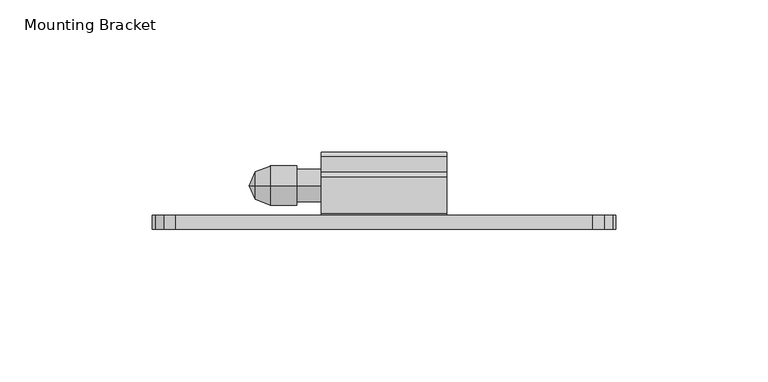
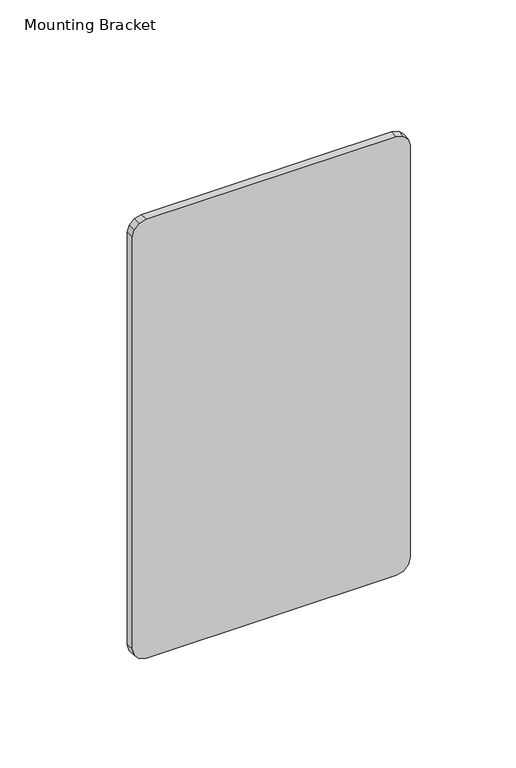
"""IFC4 building model written with IfcOpenShell, lengths in millimetres: furniture geometry, Mounting Bracket."""

from ifc_helpers import new_model, si_unit, frame, origin, place, context, project, spatial, polyline, circle_curve, outline, extrude, source, transform, mapped, element, save
from ifc_brep_helpers import plane_surface, cylinder_surface, revolved_surface, advanced_brep


def mounting_bracket_a303b864(model_context):
    return source(origin(), model_context, "Body", "SolidModel", [
        extrude(outline(polyline([(1374.775, 636.9192799), (1374.775, 499.7592835), (1373.7541116, 495.9492826), (1370.9649991, 493.1601678), (1367.1549982, 492.1392863), (1128.3950033, 492.1392863), (1124.585007, 493.1601678), (1121.7958785, 495.9492826), (1120.7749924, 499.7592835), (1120.7749924, 636.9192799), (1121.7958785, 640.7292808), (1124.585007, 643.5183956), (1128.3950033, 644.5392817), (1367.1549982, 644.5392817), (1370.9649991, 643.5183956), (1373.7541116, 640.7292808), (1374.775, 636.9192799)])), frame((0.0, -1267.5959292, 0.0), z_axis=(0.0, 1.0, 0.0), x_axis=(0.0, 0.0, 1.0)), (0.0, 0.0, 1.0), 4.5973995),
        advanced_brep(
        [(526.0628515, -1253.1852, 1300.5969446), (526.0628515, -1253.1852, 1309.7508962), (530.8753712, -1253.1852, 1311.6467425), (530.8753712, -1253.1852, 1298.7010983), (539.6258568, -1253.1852, 1311.6467425), (539.6258568, -1253.1852, 1298.7010983), (539.6258568, -1253.1852, 1310.5367358), (539.6258568, -1253.1852, 1299.8111051), (547.6881167, -1253.1852, 1310.5367358), (547.6881167, -1253.1852, 1299.8111051), (547.6881167, -1253.1852, 1305.1739204), (524.0694412, -1253.1852, 1305.1739204)],
        [
            (0, 1, circle_curve(frame((526.0628515, -1253.1852, 1305.1739204), z_axis=(1.0, 0.0, 0.0), x_axis=(0.0, 0.0, 1.0)), 4.5769758)),
            (1, 2),
            (2, 3, circle_curve(frame((530.8753712, -1253.1852, 1305.1739204), z_axis=(-1.0, 0.0, 0.0), x_axis=(0.0, 0.0, 1.0)), 6.4728221)),
            (3, 0),
            (1, 0, circle_curve(frame((526.0628515, -1253.1852, 1305.1739204), z_axis=(1.0, 0.0, 0.0), x_axis=(0.0, 0.0, 1.0)), 4.5769758)),
            (3, 2, circle_curve(frame((530.8753712, -1253.1852, 1305.1739204), z_axis=(-1.0, 0.0, 0.0), x_axis=(0.0, 0.0, 1.0)), 6.4728221)),
            (2, 4),
            (4, 5, circle_curve(frame((539.6258568, -1253.1852, 1305.1739204), z_axis=(-1.0, 0.0, 0.0), x_axis=(0.0, 0.0, 1.0)), 6.4728221)),
            (5, 3),
            (5, 4, circle_curve(frame((539.6258568, -1253.1852, 1305.1739204), z_axis=(-1.0, 0.0, 0.0), x_axis=(0.0, 0.0, 1.0)), 6.4728221)),
            (4, 6),
            (6, 7, circle_curve(frame((539.6258568, -1253.1852, 1305.1739204), z_axis=(-1.0, 0.0, 0.0), x_axis=(0.0, 0.0, 1.0)), 5.3628154)),
            (7, 5),
            (7, 6, circle_curve(frame((539.6258568, -1253.1852, 1305.1739204), z_axis=(-1.0, 0.0, 0.0), x_axis=(0.0, 0.0, 1.0)), 5.3628154)),
            (6, 8),
            (8, 9, circle_curve(frame((547.6881167, -1253.1852, 1305.1739204), z_axis=(-1.0, 0.0, 0.0), x_axis=(0.0, 0.0, 1.0)), 5.3628154)),
            (9, 7),
            (9, 8, circle_curve(frame((547.6881167, -1253.1852, 1305.1739204), z_axis=(-1.0, 0.0, 0.0), x_axis=(0.0, 0.0, 1.0)), 5.3628154)),
            (8, 10),
            (10, 9),
            (11, 1),
            (0, 11),
        ],
        [
            revolved_surface(polyline([(530.8753712, -1253.1852, 1311.6467425), (526.0628515, -1253.1852, 1309.7508962)]), (524.0694412, -1253.1852, 1305.1739204), (-1.0, 0.0, 0.0)),
            cylinder_surface(frame((524.0694412, -1253.1852, 1305.1739204), z_axis=(-1.0, 0.0, 0.0), x_axis=(0.0, 0.0, 1.0)), 6.4728221),
            plane_surface(frame((539.6258568, -1253.1852, 1305.1739204), z_axis=(1.0, 0.0, 0.0), x_axis=(0.0, 0.0, 1.0))),
            cylinder_surface(frame((524.0694412, -1253.1852, 1305.1739204), z_axis=(-1.0, 0.0, 0.0), x_axis=(0.0, 0.0, 1.0)), 5.3628154),
            plane_surface(frame((547.6881167, -1253.1852, 1305.1739204), z_axis=(1.0, 0.0, 0.0), x_axis=(0.0, 0.0, 1.0))),
            revolved_surface(polyline([(526.0628515, -1253.1852, 1309.7508962), (524.0694412, -1253.1852, 1305.1739204)]), (524.0694412, -1253.1852, 1305.1739204), (-1.0, 0.0, 0.0)),
        ],
        [
            (0, [[1, 2, 3, 4]]),
            (0, [[5, -4, 6, -2]]),
            (1, [[-3, 7, 8, 9]]),
            (1, [[-6, -9, 10, -7]]),
            (2, [[-8, 11, 12, 13]]),
            (2, [[-10, -13, 14, -11]]),
            (3, [[-12, 15, 16, 17]]),
            (3, [[-14, -17, 18, -15]]),
            (4, [[-16, 19, 20]]),
            (4, [[-18, -20, -19]]),
            (5, [[21, -1, 22]]),
            (5, [[-22, -5, -21]]),
        ],
    ),
        extrude(outline(polyline([(-1250.3046945, 1355.7503993), (-1248.7298945, 1354.1755988), (-1248.7298945, 1349.425799), (-1249.5126046, 1347.0614416), (-1251.5515106, 1345.6311678), (-1254.041105, 1345.700034), (-1255.997826, 1347.2408334), (-1257.4420942, 1346.8066415), (-1257.4420942, 1317.0722312), (-1256.8467817, 1316.4769187), (-1243.7705444, 1316.4769187), (-1242.1957445, 1314.9021193), (-1242.1957445, 1295.4761975), (-1243.7705444, 1293.9013981), (-1261.4235441, 1293.9013981), (-1262.9985297, 1295.4763837), (-1262.9985297, 1355.1515416), (-1262.399672, 1355.7503993), (-1250.3046945, 1355.7503993)])), frame((547.6881145, 0.0, 0.0), z_axis=(1.0, 0.0, 0.0), x_axis=(0.0, 1.0, 0.0)), (0.0, 0.0, 1.0), 41.2750015),
    ])


if __name__ == "__main__":
    model = new_model("IFC4")
    model_context = context("Model", 3, world=origin())
    ifc_project = project(units=[si_unit("LENGTHUNIT", "METRE", prefix="MILLI")], contexts=[model_context])
    site = spatial("IfcSite", under=ifc_project)
    building = spatial("IfcBuilding", under=site)
    placement = place(None, origin())
    mounting_bracket_shape = mounting_bracket_a303b864(model_context)
    element("IfcFurniture", 1, ObjectType="Mounting Bracket", at=placement, inside=building, context=model_context, shape_type="MappedRepresentation", body=[
        mapped(mounting_bracket_shape, transform((0.0, 0.0, 0.0), x_axis=(1.0, 0.0, 0.0), y_axis=(0.0, 1.0, 0.0), z_axis=(0.0, 0.0, 1.0))),
    ])
    save(model, "model.ifc")
